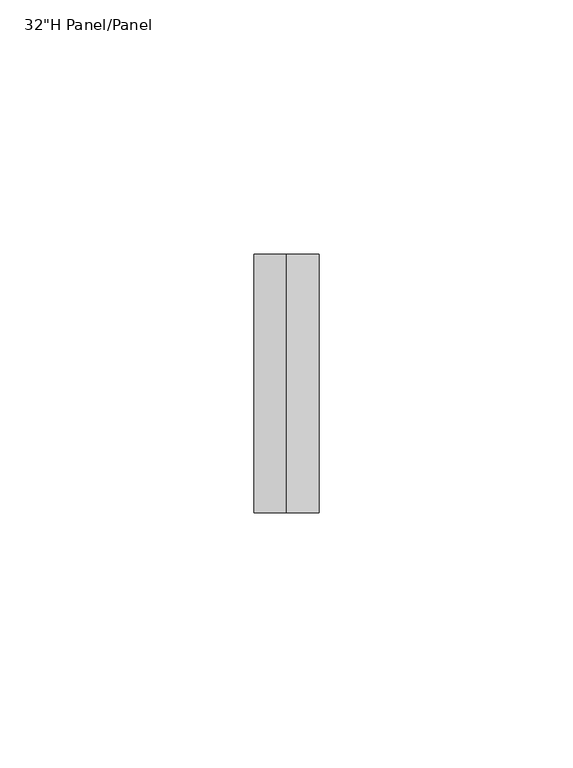
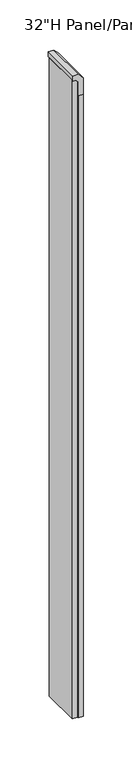
"""IFC4 building model written with IfcOpenShell, lengths in millimetres: furniture geometry."""

from ifc_helpers import new_model, si_unit, frame, origin, place, context, project, spatial, polyline, outline, extrude, source, transform, mapped, element, save


def furniture_6dcbcc3c(model_context):
    return source(origin(), model_context, "Body", "SweptSolid", [
        extrude(outline(polyline([(-3.2542206, 0.0), (0.0, 0.0), (0.0, -806.4499992), (-6.3499979, -806.4499992), (-6.3499979, -3.095777), (-3.2542206, 0.0)])), frame((-73.2209946, 55.7584941, 993.775), z_axis=(-4.184583056698584e-08, 0.9999999999999992, 0.0), x_axis=(-0.9999999999999992, -4.184583056698584e-08, 0.0)), (0.0, 0.0, 1.0), 47.6250029),
        extrude(outline(polyline([(993.775, -73.2209945), (993.775, -69.9667739), (990.679223, -66.8709967), (973.1375008, -66.8709967), (973.1375008, -60.5209967), (993.775, -60.5209967), (1000.125, -66.8709967), (1000.125, -73.2209945), (993.775, -73.2209945)])), frame((0.0, 54.1709919, 0.0), z_axis=(0.0, 1.0, 0.0), x_axis=(0.0, 0.0, 1.0)), (0.0, 0.0, 1.0), 50.8),
        extrude(outline(polyline([(-60.5209988, 104.9709924), (-60.5209967, 54.1709916), (-66.8709967, 54.1709914), (-66.8709988, 104.9709922), (-60.5209988, 104.9709924)])), frame((0.0, 0.0, 187.3250008), z_axis=(0.0, 0.0, 1.0), x_axis=(1.0, 0.0, 0.0)), (0.0, 0.0, 1.0), 785.8125),
    ])


if __name__ == "__main__":
    model = new_model("IFC4")
    model_context = context("Model", 3, world=origin())
    ifc_project = project(units=[si_unit("LENGTHUNIT", "METRE", prefix="MILLI")], contexts=[model_context])
    site = spatial("IfcSite", under=ifc_project)
    building = spatial("IfcBuilding", under=site)
    placement = place(None, origin())
    furniture_shape = furniture_6dcbcc3c(model_context)
    element("IfcFurniture", 1, ObjectType="32\"H Panel/Panel", at=placement, inside=building, context=model_context, shape_type="MappedRepresentation", body=[
        mapped(furniture_shape, transform((0.0, 0.0, 0.0), x_axis=(1.0, 0.0, 0.0), y_axis=(0.0, 1.0, 0.0), z_axis=(0.0, 0.0, 1.0))),
    ])
    save(model, "model.ifc")
